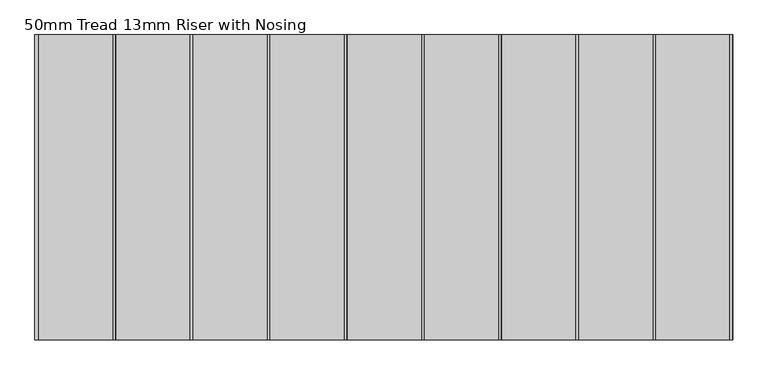
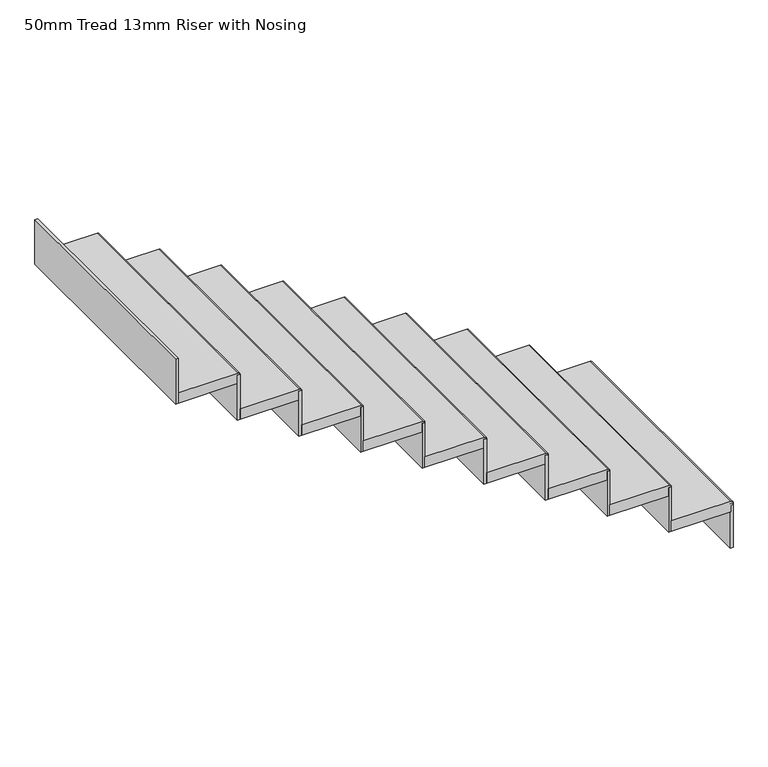
"""IFC4 building model written with IfcOpenShell, lengths in millimetres: stair flight geometry, 50mm Tread 13mm Riser with Nosing."""

from ifc_helpers import new_model, si_unit, point, frame, frame_2d, origin, place, context, project, spatial, polyline, circle_curve, trimmed, segment, composite_curve, outline, extrude, source, transform, mapped, element, save


def stair_flight_50mm_tread_13mm_riser_with_nosing_00cf3e31(model_context):
    return source(origin(), model_context, "Body", "SweptSolid", [
        extrude(outline(composite_curve([segment(polyline([(12425.0, -21218.301725), (12425.0, -21488.301725), (12375.0, -21488.301725), (12375.0, -21218.301725), (12405.0, -21218.301725)]), True, "CONTINUOUS"), segment(trimmed(circle_curve(frame_2d((12415.0, -21218.301725)), 10.0), [point((12405.0, -21218.301725))], [point((12425.0, -21218.301725))], False, "CARTESIAN"), True, "CONTINUOUS")], self_intersect=False)), frame((0.0, 14444.1888058, 0.0), z_axis=(0.0, 1.0, 0.0), x_axis=(0.0, 0.0, 1.0)), (0.0, 0.0, 1.0), 1107.1151565),
        extrude(outline(polyline([(-21220.801725, 15551.3039623), (-21208.301725, 15551.3039623), (-21208.301725, 14444.1888058), (-21220.801725, 14444.1888058), (-21220.801725, 15551.3039623)])), frame((0.0, 0.0, 12200.0), z_axis=(0.0, 0.0, 1.0), x_axis=(1.0, 0.0, 0.0)), (0.0, 0.0, 1.0), 215.0),
        extrude(outline(polyline([(-21500.801725, 15551.3039623), (-21488.301725, 15551.3039623), (-21488.301725, 14444.1888058), (-21500.801725, 14444.1888058), (-21500.801725, 15551.3039623)])), frame((0.0, 0.0, 12375.0), z_axis=(0.0, 0.0, 1.0), x_axis=(1.0, 0.0, 0.0)), (0.0, 0.0, 1.0), 215.0),
        extrude(outline(composite_curve([segment(polyline([(12600.0, -21498.301725), (12600.0, -21768.301725), (12550.0, -21768.301725), (12550.0, -21498.301725), (12580.0, -21498.301725)]), True, "CONTINUOUS"), segment(trimmed(circle_curve(frame_2d((12590.0, -21498.301725)), 10.0), [point((12580.0, -21498.301725))], [point((12600.0, -21498.301725))], False, "CARTESIAN"), True, "CONTINUOUS")], self_intersect=False)), frame((0.0, 14444.1888058, 0.0), z_axis=(0.0, 1.0, 0.0), x_axis=(0.0, 0.0, 1.0)), (0.0, 0.0, 1.0), 1107.1151565),
        extrude(outline(polyline([(-21780.801725, 15551.3039623), (-21768.301725, 15551.3039623), (-21768.301725, 14444.1888058), (-21780.801725, 14444.1888058), (-21780.801725, 15551.3039623)])), frame((0.0, 0.0, 12550.0), z_axis=(0.0, 0.0, 1.0), x_axis=(1.0, 0.0, 0.0)), (0.0, 0.0, 1.0), 215.0),
        extrude(outline(composite_curve([segment(polyline([(12775.0, -21778.301725), (12775.0, -22048.301725), (12725.0, -22048.301725), (12725.0, -21778.301725), (12755.0, -21778.301725)]), True, "CONTINUOUS"), segment(trimmed(circle_curve(frame_2d((12765.0, -21778.301725)), 10.0), [point((12755.0, -21778.301725))], [point((12775.0, -21778.301725))], False, "CARTESIAN"), True, "CONTINUOUS")], self_intersect=False)), frame((0.0, 14444.1888058, 0.0), z_axis=(0.0, 1.0, 0.0), x_axis=(0.0, 0.0, 1.0)), (0.0, 0.0, 1.0), 1107.1151565),
        extrude(outline(polyline([(-22060.801725, 15551.3039623), (-22048.301725, 15551.3039623), (-22048.301725, 14444.1888058), (-22060.801725, 14444.1888058), (-22060.801725, 15551.3039623)])), frame((0.0, 0.0, 12725.0), z_axis=(0.0, 0.0, 1.0), x_axis=(1.0, 0.0, 0.0)), (0.0, 0.0, 1.0), 215.0),
        extrude(outline(composite_curve([segment(polyline([(12950.0, -22058.301725), (12950.0, -22328.301725), (12900.0, -22328.301725), (12900.0, -22058.301725), (12930.0, -22058.301725)]), True, "CONTINUOUS"), segment(trimmed(circle_curve(frame_2d((12940.0, -22058.301725)), 10.0), [point((12930.0, -22058.301725))], [point((12950.0, -22058.301725))], False, "CARTESIAN"), True, "CONTINUOUS")], self_intersect=False)), frame((0.0, 14444.1888058, 0.0), z_axis=(0.0, 1.0, 0.0), x_axis=(0.0, 0.0, 1.0)), (0.0, 0.0, 1.0), 1107.1151565),
        extrude(outline(polyline([(-22340.801725, 15551.3039623), (-22328.301725, 15551.3039623), (-22328.301725, 14444.1888058), (-22340.801725, 14444.1888058), (-22340.801725, 15551.3039623)])), frame((0.0, 0.0, 12900.0), z_axis=(0.0, 0.0, 1.0), x_axis=(1.0, 0.0, 0.0)), (0.0, 0.0, 1.0), 215.0),
        extrude(outline(composite_curve([segment(polyline([(13125.0, -22338.301725), (13125.0, -22608.301725), (13075.0, -22608.301725), (13075.0, -22338.301725), (13105.0, -22338.301725)]), True, "CONTINUOUS"), segment(trimmed(circle_curve(frame_2d((13115.0, -22338.301725)), 10.0), [point((13105.0, -22338.301725))], [point((13125.0, -22338.301725))], False, "CARTESIAN"), True, "CONTINUOUS")], self_intersect=False)), frame((0.0, 14444.1888058, 0.0), z_axis=(0.0, 1.0, 0.0), x_axis=(0.0, 0.0, 1.0)), (0.0, 0.0, 1.0), 1107.1151565),
        extrude(outline(polyline([(-22620.801725, 15551.3039623), (-22608.301725, 15551.3039623), (-22608.301725, 14444.1888058), (-22620.801725, 14444.1888058), (-22620.801725, 15551.3039623)])), frame((0.0, 0.0, 13075.0), z_axis=(0.0, 0.0, 1.0), x_axis=(1.0, 0.0, 0.0)), (0.0, 0.0, 1.0), 215.0),
        extrude(outline(composite_curve([segment(polyline([(13300.0, -22618.301725), (13300.0, -22888.301725), (13250.0, -22888.301725), (13250.0, -22618.301725), (13280.0, -22618.301725)]), True, "CONTINUOUS"), segment(trimmed(circle_curve(frame_2d((13290.0, -22618.301725)), 10.0), [point((13280.0, -22618.301725))], [point((13300.0, -22618.301725))], False, "CARTESIAN"), True, "CONTINUOUS")], self_intersect=False)), frame((0.0, 14444.1888058, 0.0), z_axis=(0.0, 1.0, 0.0), x_axis=(0.0, 0.0, 1.0)), (0.0, 0.0, 1.0), 1107.1151565),
        extrude(outline(polyline([(-22900.801725, 15551.3039623), (-22888.301725, 15551.3039623), (-22888.301725, 14444.1888058), (-22900.801725, 14444.1888058), (-22900.801725, 15551.3039623)])), frame((0.0, 0.0, 13250.0), z_axis=(0.0, 0.0, 1.0), x_axis=(1.0, 0.0, 0.0)), (0.0, 0.0, 1.0), 215.0),
        extrude(outline(composite_curve([segment(polyline([(13475.0, -22898.301725), (13475.0, -23168.301725), (13425.0, -23168.301725), (13425.0, -22898.301725), (13455.0, -22898.301725)]), True, "CONTINUOUS"), segment(trimmed(circle_curve(frame_2d((13465.0, -22898.301725)), 10.0), [point((13455.0, -22898.301725))], [point((13475.0, -22898.301725))], False, "CARTESIAN"), True, "CONTINUOUS")], self_intersect=False)), frame((0.0, 14444.1888058, 0.0), z_axis=(0.0, 1.0, 0.0), x_axis=(0.0, 0.0, 1.0)), (0.0, 0.0, 1.0), 1107.1151565),
        extrude(outline(polyline([(-23180.801725, 15551.3039623), (-23168.301725, 15551.3039623), (-23168.301725, 14444.1888058), (-23180.801725, 14444.1888058), (-23180.801725, 15551.3039623)])), frame((0.0, 0.0, 13425.0), z_axis=(0.0, 0.0, 1.0), x_axis=(1.0, 0.0, 0.0)), (0.0, 0.0, 1.0), 215.0),
        extrude(outline(composite_curve([segment(polyline([(13650.0, -23178.301725), (13650.0, -23448.301725), (13600.0, -23448.301725), (13600.0, -23178.301725), (13630.0, -23178.301725)]), True, "CONTINUOUS"), segment(trimmed(circle_curve(frame_2d((13640.0, -23178.301725)), 10.0), [point((13630.0, -23178.301725))], [point((13650.0, -23178.301725))], False, "CARTESIAN"), True, "CONTINUOUS")], self_intersect=False)), frame((0.0, 14444.1888058, 0.0), z_axis=(0.0, 1.0, 0.0), x_axis=(0.0, 0.0, 1.0)), (0.0, 0.0, 1.0), 1107.1151565),
        extrude(outline(polyline([(-23460.801725, 15551.3039623), (-23448.301725, 15551.3039623), (-23448.301725, 14444.1888058), (-23460.801725, 14444.1888058), (-23460.801725, 15551.3039623)])), frame((0.0, 0.0, 13600.0), z_axis=(0.0, 0.0, 1.0), x_axis=(1.0, 0.0, 0.0)), (0.0, 0.0, 1.0), 215.0),
        extrude(outline(polyline([(-23740.801725, 15551.3039623), (-23728.301725, 15551.3039623), (-23728.301725, 14444.1888058), (-23740.801725, 14444.1888058), (-23740.801725, 15551.3039623)])), frame((0.0, 0.0, 13775.0), z_axis=(0.0, 0.0, 1.0), x_axis=(1.0, 0.0, 0.0)), (0.0, 0.0, 1.0), 215.0),
        extrude(outline(composite_curve([segment(polyline([(13825.0, -23458.301725), (13825.0, -23728.301725), (13775.0, -23728.301725), (13775.0, -23458.301725), (13805.0, -23458.301725)]), True, "CONTINUOUS"), segment(trimmed(circle_curve(frame_2d((13815.0, -23458.301725)), 10.0), [point((13805.0, -23458.301725))], [point((13825.0, -23458.301725))], False, "CARTESIAN"), True, "CONTINUOUS")], self_intersect=False)), frame((0.0, 14444.1888058, 0.0), z_axis=(0.0, 1.0, 0.0), x_axis=(0.0, 0.0, 1.0)), (0.0, 0.0, 1.0), 1107.1151565),
    ])


if __name__ == "__main__":
    model = new_model("IFC4")
    model_context = context("Model", 3, world=origin())
    ifc_project = project(units=[si_unit("LENGTHUNIT", "METRE", prefix="MILLI")], contexts=[model_context])
    site = spatial("IfcSite", under=ifc_project)
    building = spatial("IfcBuilding", under=site)
    placement = place(None, origin())
    stair_flight_50mm_tread_13mm_riser_with_nosing_shape = stair_flight_50mm_tread_13mm_riser_with_nosing_00cf3e31(model_context)
    element("IfcStairFlight", 1, ObjectType="50mm Tread 13mm Riser with Nosing", at=placement, inside=building, context=model_context, shape_type="MappedRepresentation", body=[
        mapped(stair_flight_50mm_tread_13mm_riser_with_nosing_shape, transform((0.0, 0.0, 0.0), x_axis=(1.0, 0.0, 0.0), y_axis=(0.0, 1.0, 0.0), z_axis=(0.0, 0.0, 1.0))),
    ])
    save(model, "model.ifc")
